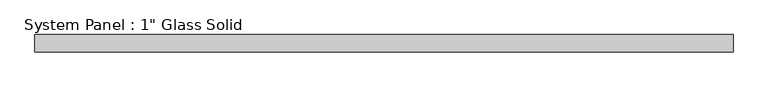
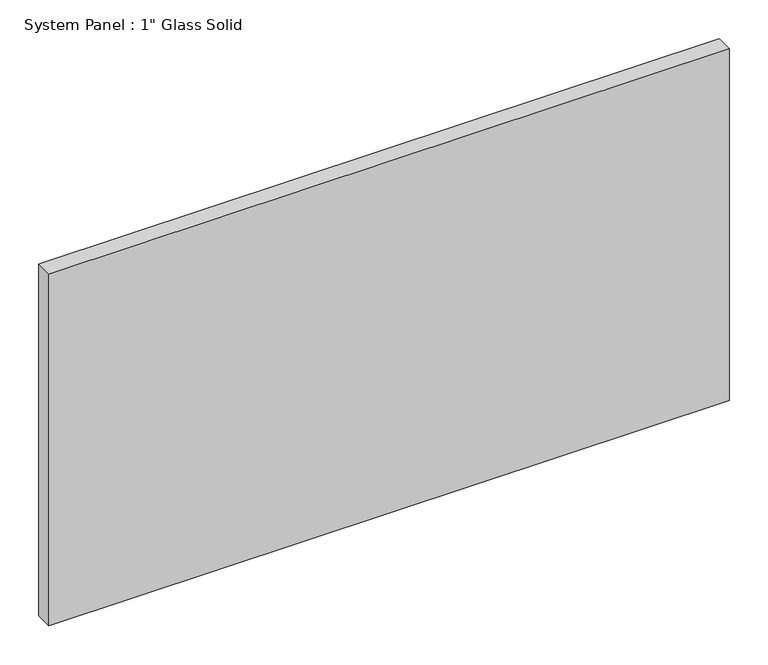
"""IFC4 building model written with IfcOpenShell, lengths in millimetres: plate geometry."""

from ifc_helpers import new_model, si_unit, origin, origin_with_axes, place, context, project, spatial, polyline, outline, extrude, source, transform, mapped, element, save


def plate_bc1e0398(model_context):
    return source(origin(), model_context, "Body", "SweptSolid", [
        extrude(outline(polyline([(504.825, -12.7), (-504.825, -12.7), (-504.825, 12.7), (504.825, 12.7), (504.825, -12.7)])), origin_with_axes(), (0.0, 0.0, 1.0), 552.45),
    ])


if __name__ == "__main__":
    model = new_model("IFC4")
    model_context = context("Model", 3, world=origin())
    ifc_project = project(units=[si_unit("LENGTHUNIT", "METRE", prefix="MILLI")], contexts=[model_context])
    site = spatial("IfcSite", under=ifc_project)
    building = spatial("IfcBuilding", under=site)
    placement = place(None, origin())
    plate_shape = plate_bc1e0398(model_context)
    element("IfcPlate", 1, ObjectType="System Panel : 1\" Glass Solid", at=placement, inside=building, context=model_context, shape_type="MappedRepresentation", body=[
        mapped(plate_shape, transform((0.0, 0.0, 0.0), x_axis=(1.0, 0.0, 0.0), y_axis=(0.0, 1.0, 0.0), z_axis=(0.0, 0.0, 1.0))),
    ])
    save(model, "model.ifc")
